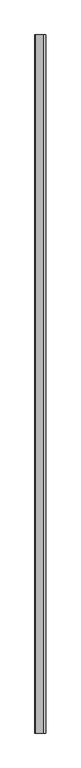
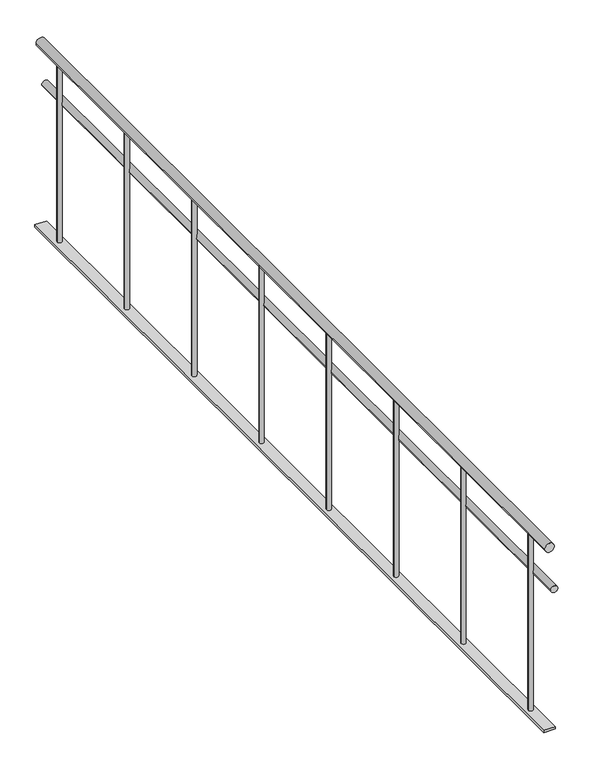
"""IFC4 building model written with IfcOpenShell, lengths in millimetres: railing geometry."""

from ifc_helpers import new_model, si_unit, point, frame, frame_2d, origin, place, context, project, spatial, polyline, circle_curve, trimmed, segment, composite_curve, outline, extrude, source, transform, mapped, element, save


def railing_d8662656(model_context):
    return source(origin(), model_context, "Body", "SweptSolid", [
        extrude(outline(composite_curve([segment(trimmed(circle_curve(frame_2d((880.0, -26784.9887159)), 20.0), [point((880.0, -26804.9887159))], [point((880.0, -26764.9887159))], False, "CARTESIAN"), True, "CONTINUOUS"), segment(trimmed(circle_curve(frame_2d((880.0, -26784.9887159)), 20.0), [point((880.0, -26764.9887159))], [point((880.0, -26804.9887159))], False, "CARTESIAN"), True, "CONTINUOUS")], self_intersect=False)), frame((0.0, 913.1270954, 0.0), z_axis=(0.0, 1.0, 0.0), x_axis=(0.0, 0.0, 1.0)), (0.0, 0.0, 1.0), 3780.0),
        extrude(outline(composite_curve([segment(trimmed(circle_curve(frame_2d((685.0, -26764.9887159)), 15.0), [point((685.0, -26779.9887159))], [point((685.0, -26749.9887159))], False, "CARTESIAN"), True, "CONTINUOUS"), segment(trimmed(circle_curve(frame_2d((685.0, -26764.9887159)), 15.0), [point((685.0, -26749.9887159))], [point((685.0, -26779.9887159))], False, "CARTESIAN"), True, "CONTINUOUS")], self_intersect=False)), frame((0.0, 913.1270954, 0.0), z_axis=(0.0, 1.0, 0.0), x_axis=(0.0, 0.0, 1.0)), (0.0, 0.0, 1.0), 3780.0),
        extrude(outline(polyline([(-26809.9887159, 4693.1270954), (-26759.9887159, 4693.1270954), (-26759.9887159, 913.1270954), (-26809.9887159, 913.1270954), (-26809.9887159, 4693.1270954)])), frame((0.0, 0.0, 50.0), z_axis=(0.0, 0.0, 1.0), x_axis=(1.0, 0.0, 0.0)), (0.0, 0.0, 1.0), 10.0),
        extrude(outline(composite_curve([segment(trimmed(circle_curve(frame_2d((-26784.9887159, 1053.1270954)), 10.0), [point((-26794.9887159, 1053.1270954))], [point((-26774.9887159, 1053.1270954))], False, "CARTESIAN"), True, "CONTINUOUS"), segment(trimmed(circle_curve(frame_2d((-26784.9887159, 1053.1270954)), 10.0), [point((-26774.9887159, 1053.1270954))], [point((-26794.9887159, 1053.1270954))], False, "CARTESIAN"), True, "CONTINUOUS")], self_intersect=False)), frame((0.0, 0.0, 60.0), z_axis=(0.0, 0.0, 1.0), x_axis=(1.0, 0.0, 0.0)), (0.0, 0.0, 1.0), 800.0),
        extrude(outline(composite_curve([segment(trimmed(circle_curve(frame_2d((-26784.9887159, 1553.1270954)), 10.0), [point((-26794.9887159, 1553.1270954))], [point((-26774.9887159, 1553.1270954))], False, "CARTESIAN"), True, "CONTINUOUS"), segment(trimmed(circle_curve(frame_2d((-26784.9887159, 1553.1270954)), 10.0), [point((-26774.9887159, 1553.1270954))], [point((-26794.9887159, 1553.1270954))], False, "CARTESIAN"), True, "CONTINUOUS")], self_intersect=False)), frame((0.0, 0.0, 60.0), z_axis=(0.0, 0.0, 1.0), x_axis=(1.0, 0.0, 0.0)), (0.0, 0.0, 1.0), 800.0),
        extrude(outline(composite_curve([segment(trimmed(circle_curve(frame_2d((-26784.9887159, 2053.1270954)), 10.0), [point((-26794.9887159, 2053.1270954))], [point((-26774.9887159, 2053.1270954))], False, "CARTESIAN"), True, "CONTINUOUS"), segment(trimmed(circle_curve(frame_2d((-26784.9887159, 2053.1270954)), 10.0), [point((-26774.9887159, 2053.1270954))], [point((-26794.9887159, 2053.1270954))], False, "CARTESIAN"), True, "CONTINUOUS")], self_intersect=False)), frame((0.0, 0.0, 60.0), z_axis=(0.0, 0.0, 1.0), x_axis=(1.0, 0.0, 0.0)), (0.0, 0.0, 1.0), 800.0),
        extrude(outline(composite_curve([segment(trimmed(circle_curve(frame_2d((-26784.9887159, 2553.1270954)), 10.0), [point((-26794.9887159, 2553.1270954))], [point((-26774.9887159, 2553.1270954))], False, "CARTESIAN"), True, "CONTINUOUS"), segment(trimmed(circle_curve(frame_2d((-26784.9887159, 2553.1270954)), 10.0), [point((-26774.9887159, 2553.1270954))], [point((-26794.9887159, 2553.1270954))], False, "CARTESIAN"), True, "CONTINUOUS")], self_intersect=False)), frame((0.0, 0.0, 60.0), z_axis=(0.0, 0.0, 1.0), x_axis=(1.0, 0.0, 0.0)), (0.0, 0.0, 1.0), 800.0),
        extrude(outline(composite_curve([segment(trimmed(circle_curve(frame_2d((-26784.9887159, 3053.1270954)), 10.0), [point((-26794.9887159, 3053.1270954))], [point((-26774.9887159, 3053.1270954))], False, "CARTESIAN"), True, "CONTINUOUS"), segment(trimmed(circle_curve(frame_2d((-26784.9887159, 3053.1270954)), 10.0), [point((-26774.9887159, 3053.1270954))], [point((-26794.9887159, 3053.1270954))], False, "CARTESIAN"), True, "CONTINUOUS")], self_intersect=False)), frame((0.0, 0.0, 60.0), z_axis=(0.0, 0.0, 1.0), x_axis=(1.0, 0.0, 0.0)), (0.0, 0.0, 1.0), 800.0),
        extrude(outline(composite_curve([segment(trimmed(circle_curve(frame_2d((-26784.9887159, 3553.1270954)), 10.0), [point((-26794.9887159, 3553.1270954))], [point((-26774.9887159, 3553.1270954))], False, "CARTESIAN"), True, "CONTINUOUS"), segment(trimmed(circle_curve(frame_2d((-26784.9887159, 3553.1270954)), 10.0), [point((-26774.9887159, 3553.1270954))], [point((-26794.9887159, 3553.1270954))], False, "CARTESIAN"), True, "CONTINUOUS")], self_intersect=False)), frame((0.0, 0.0, 60.0), z_axis=(0.0, 0.0, 1.0), x_axis=(1.0, 0.0, 0.0)), (0.0, 0.0, 1.0), 800.0),
        extrude(outline(composite_curve([segment(trimmed(circle_curve(frame_2d((-26784.9887159, 4053.1270954)), 10.0), [point((-26794.9887159, 4053.1270954))], [point((-26774.9887159, 4053.1270954))], False, "CARTESIAN"), True, "CONTINUOUS"), segment(trimmed(circle_curve(frame_2d((-26784.9887159, 4053.1270954)), 10.0), [point((-26774.9887159, 4053.1270954))], [point((-26794.9887159, 4053.1270954))], False, "CARTESIAN"), True, "CONTINUOUS")], self_intersect=False)), frame((0.0, 0.0, 60.0), z_axis=(0.0, 0.0, 1.0), x_axis=(1.0, 0.0, 0.0)), (0.0, 0.0, 1.0), 800.0),
        extrude(outline(composite_curve([segment(trimmed(circle_curve(frame_2d((-26784.9887159, 4553.1270954)), 10.0), [point((-26794.9887159, 4553.1270954))], [point((-26774.9887159, 4553.1270954))], False, "CARTESIAN"), True, "CONTINUOUS"), segment(trimmed(circle_curve(frame_2d((-26784.9887159, 4553.1270954)), 10.0), [point((-26774.9887159, 4553.1270954))], [point((-26794.9887159, 4553.1270954))], False, "CARTESIAN"), True, "CONTINUOUS")], self_intersect=False)), frame((0.0, 0.0, 60.0), z_axis=(0.0, 0.0, 1.0), x_axis=(1.0, 0.0, 0.0)), (0.0, 0.0, 1.0), 800.0),
    ])


if __name__ == "__main__":
    model = new_model("IFC4")
    model_context = context("Model", 3, world=origin())
    ifc_project = project(units=[si_unit("LENGTHUNIT", "METRE", prefix="MILLI")], contexts=[model_context])
    site = spatial("IfcSite", under=ifc_project)
    building = spatial("IfcBuilding", under=site)
    placement = place(None, origin())
    railing_shape = railing_d8662656(model_context)
    element("IfcRailing", 1, at=placement, inside=building, context=model_context, shape_type="MappedRepresentation", body=[
        mapped(railing_shape, transform((0.0, 0.0, 0.0), x_axis=(1.0, 0.0, 0.0), y_axis=(0.0, 1.0, 0.0), z_axis=(0.0, 0.0, 1.0))),
    ])
    save(model, "model.ifc")
